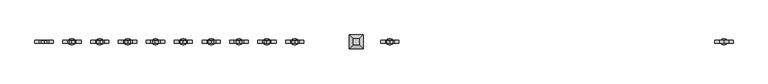
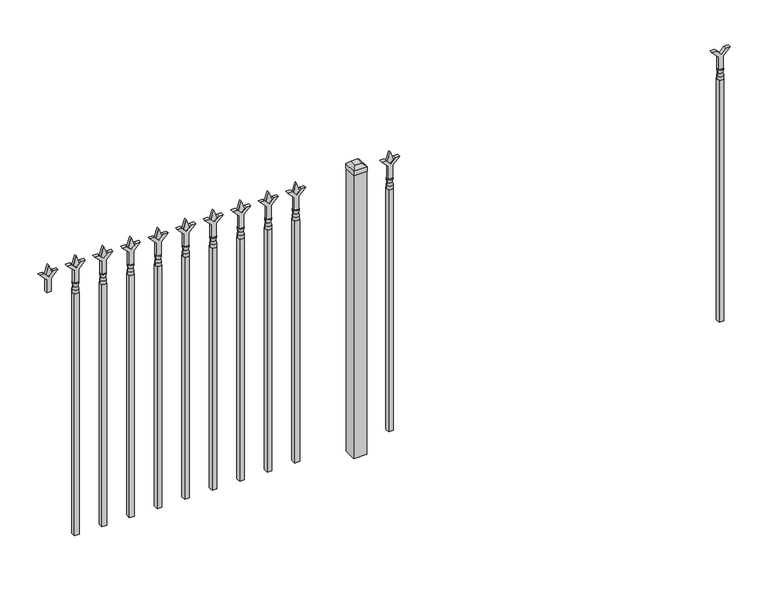
"""IFC4 building model written with IfcOpenShell, lengths in millimetres: railing geometry."""

from ifc_helpers import new_model, si_unit, frame, origin, origin_with_axes, place, context, project, spatial, polyline, circle_curve, outline, extrude, faceted_brep, source, transform, mapped, element, save
from ifc_brep_helpers import plane_surface, cylinder_surface, revolved_surface, advanced_brep


def railing_b73c5854(model_context):
    return source(origin(), model_context, "Body", "SolidModel", [
        extrude(outline(polyline([(1108.075, -76606.749337), (1162.3457378, -76606.749337), (1189.5355122, -76579.5595625), (1189.5355122, -76597.5200747), (1171.575, -76615.480587), (1189.5355122, -76633.4410992), (1189.5355122, -76651.4016114), (1162.3457378, -76624.211837), (1108.075, -76624.211837), (1108.075, -76606.749337)])), frame((0.0, -6737.6070174, 0.0), z_axis=(0.0, 1.0, 0.0), x_axis=(0.0, 0.0, 1.0)), (0.0, 0.0, 1.0), 12.7),
        advanced_brep(
        [(-76603.574337, -6731.2570174, 1079.5), (-76627.386837, -6731.2570174, 1079.5), (-76627.386837, -6731.2570174, 1066.8), (-76603.574337, -6731.2570174, 1066.8), (-76605.7796688, -6731.2570174, 1092.0070585), (-76625.1815051, -6731.2570174, 1092.0070585), (-76603.574337, -6731.2570174, 1108.075), (-76627.386837, -6731.2570174, 1108.075), (-76615.480587, -6731.2570174, 1108.075), (-76615.480587, -6731.2570174, 1066.8)],
        [
            (0, 1, circle_curve(frame((-76615.480587, -6731.2570174, 1079.5), z_axis=(0.0, 0.0, -1.0), x_axis=(-1.0, 0.0, 0.0)), 11.90625)),
            (1, 2),
            (2, 3, circle_curve(frame((-76615.480587, -6731.2570174, 1066.8), z_axis=(0.0, 0.0, 1.0), x_axis=(-1.0, 0.0, 0.0)), 11.90625)),
            (3, 0),
            (1, 0, circle_curve(frame((-76615.480587, -6731.2570174, 1079.5), z_axis=(0.0, 0.0, -1.0), x_axis=(-1.0, 0.0, 0.0)), 11.90625)),
            (3, 2, circle_curve(frame((-76615.480587, -6731.2570174, 1066.8), z_axis=(0.0, 0.0, 1.0), x_axis=(-1.0, 0.0, 0.0)), 11.90625)),
            (4, 5, circle_curve(frame((-76615.480587, -6731.2570174, 1092.0070585), z_axis=(0.0, 0.0, -1.0), x_axis=(-1.0, 0.0, 0.0)), 9.7009181)),
            (5, 1),
            (0, 4),
            (5, 4, circle_curve(frame((-76615.480587, -6731.2570174, 1092.0070585), z_axis=(0.0, 0.0, -1.0), x_axis=(-1.0, 0.0, 0.0)), 9.7009181)),
            (6, 7, circle_curve(frame((-76615.480587, -6731.2570174, 1108.075), z_axis=(0.0, 0.0, -1.0), x_axis=(-1.0, 0.0, 0.0)), 11.90625)),
            (7, 5),
            (4, 6),
            (7, 6, circle_curve(frame((-76615.480587, -6731.2570174, 1108.075), z_axis=(0.0, 0.0, -1.0), x_axis=(-1.0, 0.0, 0.0)), 11.90625)),
            (8, 7),
            (6, 8),
            (2, 9),
            (9, 3),
        ],
        [
            cylinder_surface(frame((-76615.480587, -6731.2570174, 1066.8), z_axis=(0.0, 0.0, 1.0), x_axis=(-1.0, 0.0, 0.0)), 11.90625),
            revolved_surface(polyline([(-76627.386837, -6731.2570174, 1079.5), (-76625.1815051, -6731.2570174, 1092.0070585)]), (-76615.480587, -6731.2570174, 1066.8), (0.0, 0.0, 1.0)),
            revolved_surface(polyline([(-76625.1815051, -6731.2570174, 1092.0070585), (-76627.386837, -6731.2570174, 1108.075)]), (-76615.480587, -6731.2570174, 1066.8), (0.0, 0.0, 1.0)),
            plane_surface(frame((-76615.480587, -6731.2570174, 1108.075), z_axis=(0.0, 0.0, 1.0), x_axis=(-1.0, 0.0, 0.0))),
            plane_surface(frame((-76615.480587, -6731.2570174, 1066.8), z_axis=(0.0, 0.0, -1.0), x_axis=(-1.0, 0.0, 0.0))),
        ],
        [
            (0, [[1, 2, 3, 4]]),
            (0, [[5, -4, 6, -2]]),
            (1, [[7, 8, -1, 9]]),
            (1, [[10, -9, -5, -8]]),
            (2, [[11, 12, -7, 13]]),
            (2, [[14, -13, -10, -12]]),
            (3, [[15, -11, 16]]),
            (3, [[-16, -14, -15]]),
            (4, [[-3, 17, 18]]),
            (4, [[-6, -18, -17]]),
        ],
    ),
        extrude(outline(polyline([(-76625.005587, -6721.7320174), (-76605.955587, -6721.7320174), (-76605.955587, -6740.7820174), (-76625.005587, -6740.7820174), (-76625.005587, -6721.7320174)])), frame((0.0, 0.0, 50.8), z_axis=(0.0, 0.0, 1.0), x_axis=(1.0, 0.0, 0.0)), (0.0, 0.0, 1.0), 1016.0),
        extrude(outline(polyline([(1183.48125, -77914.849337), (1219.2, -77926.755587), (1183.48125, -77938.661837), (1171.575, -77926.755587), (1183.48125, -77914.849337)])), frame((0.0, -6736.0195174, 0.0), z_axis=(0.0, 1.0, 0.0), x_axis=(0.0, 0.0, 1.0)), (0.0, 0.0, 1.0), 9.525),
        extrude(outline(polyline([(1108.075, -77918.024337), (1162.3457378, -77918.024337), (1189.5355122, -77890.8345625), (1189.5355122, -77908.7950747), (1171.575, -77926.755587), (1189.5355122, -77944.7160992), (1189.5355122, -77962.6766114), (1162.3457378, -77935.486837), (1108.075, -77935.486837), (1108.075, -77918.024337)])), frame((0.0, -6737.6070174, 0.0), z_axis=(0.0, 1.0, 0.0), x_axis=(0.0, 0.0, 1.0)), (0.0, 0.0, 1.0), 12.7),
        advanced_brep(
        [(-77914.849337, -6731.2570174, 1079.5), (-77938.661837, -6731.2570174, 1079.5), (-77938.661837, -6731.2570174, 1066.8), (-77914.849337, -6731.2570174, 1066.8), (-77917.0546688, -6731.2570174, 1092.0070585), (-77936.4565051, -6731.2570174, 1092.0070585), (-77914.849337, -6731.2570174, 1108.075), (-77938.661837, -6731.2570174, 1108.075), (-77926.755587, -6731.2570174, 1108.075), (-77926.755587, -6731.2570174, 1066.8)],
        [
            (0, 1, circle_curve(frame((-77926.755587, -6731.2570174, 1079.5), z_axis=(0.0, 0.0, -1.0), x_axis=(-1.0, 0.0, 0.0)), 11.90625)),
            (1, 2),
            (2, 3, circle_curve(frame((-77926.755587, -6731.2570174, 1066.8), z_axis=(0.0, 0.0, 1.0), x_axis=(-1.0, 0.0, 0.0)), 11.90625)),
            (3, 0),
            (1, 0, circle_curve(frame((-77926.755587, -6731.2570174, 1079.5), z_axis=(0.0, 0.0, -1.0), x_axis=(-1.0, 0.0, 0.0)), 11.90625)),
            (3, 2, circle_curve(frame((-77926.755587, -6731.2570174, 1066.8), z_axis=(0.0, 0.0, 1.0), x_axis=(-1.0, 0.0, 0.0)), 11.90625)),
            (4, 5, circle_curve(frame((-77926.755587, -6731.2570174, 1092.0070585), z_axis=(0.0, 0.0, -1.0), x_axis=(-1.0, 0.0, 0.0)), 9.7009181)),
            (5, 1),
            (0, 4),
            (5, 4, circle_curve(frame((-77926.755587, -6731.2570174, 1092.0070585), z_axis=(0.0, 0.0, -1.0), x_axis=(-1.0, 0.0, 0.0)), 9.7009181)),
            (6, 7, circle_curve(frame((-77926.755587, -6731.2570174, 1108.075), z_axis=(0.0, 0.0, -1.0), x_axis=(-1.0, 0.0, 0.0)), 11.90625)),
            (7, 5),
            (4, 6),
            (7, 6, circle_curve(frame((-77926.755587, -6731.2570174, 1108.075), z_axis=(0.0, 0.0, -1.0), x_axis=(-1.0, 0.0, 0.0)), 11.90625)),
            (8, 7),
            (6, 8),
            (2, 9),
            (9, 3),
        ],
        [
            cylinder_surface(frame((-77926.755587, -6731.2570174, 1066.8), z_axis=(0.0, 0.0, 1.0), x_axis=(-1.0, 0.0, 0.0)), 11.90625),
            revolved_surface(polyline([(-77938.661837, -6731.2570174, 1079.5), (-77936.4565051, -6731.2570174, 1092.0070585)]), (-77926.755587, -6731.2570174, 1066.8), (0.0, 0.0, 1.0)),
            revolved_surface(polyline([(-77936.4565051, -6731.2570174, 1092.0070585), (-77938.661837, -6731.2570174, 1108.075)]), (-77926.755587, -6731.2570174, 1066.8), (0.0, 0.0, 1.0)),
            plane_surface(frame((-77926.755587, -6731.2570174, 1108.075), z_axis=(0.0, 0.0, 1.0), x_axis=(-1.0, 0.0, 0.0))),
            plane_surface(frame((-77926.755587, -6731.2570174, 1066.8), z_axis=(0.0, 0.0, -1.0), x_axis=(-1.0, 0.0, 0.0))),
        ],
        [
            (0, [[1, 2, 3, 4]]),
            (0, [[5, -4, 6, -2]]),
            (1, [[7, 8, -1, 9]]),
            (1, [[10, -9, -5, -8]]),
            (2, [[11, 12, -7, 13]]),
            (2, [[14, -13, -10, -12]]),
            (3, [[15, -11, 16]]),
            (3, [[-16, -14, -15]]),
            (4, [[-3, 17, 18]]),
            (4, [[-6, -18, -17]]),
        ],
    ),
        extrude(outline(polyline([(-77936.280587, -6721.7320174), (-77917.230587, -6721.7320174), (-77917.230587, -6740.7820174), (-77936.280587, -6740.7820174), (-77936.280587, -6721.7320174)])), frame((0.0, 0.0, 50.8), z_axis=(0.0, 0.0, 1.0), x_axis=(1.0, 0.0, 0.0)), (0.0, 0.0, 1.0), 1016.0),
        extrude(outline(polyline([(-78033.118087, -6705.8570174), (-78033.118087, -6756.6570174), (-78083.918087, -6756.6570174), (-78083.918087, -6705.8570174), (-78033.118087, -6705.8570174)])), origin_with_axes(), (0.0, 0.0, 1.0), 1187.45),
        faceted_brep([(-78085.505587, -6704.2695174, 1206.5), (-78085.505587, -6704.2695174, 1187.45), (-78085.505587, -6758.2445174, 1187.45), (-78085.505587, -6758.2445174, 1206.5), (-78072.805587, -6716.9695174, 1219.2), (-78072.805587, -6745.5445174, 1219.2), (-78031.530587, -6758.2445174, 1187.45), (-78031.530587, -6758.2445174, 1206.5), (-78044.230587, -6745.5445174, 1219.2), (-78031.530587, -6704.2695174, 1187.45), (-78031.530587, -6704.2695174, 1206.5), (-78044.230587, -6716.9695174, 1219.2)], [[[0, 1, 2, 3]], [[4, 0, 3, 5]], [[3, 2, 6, 7]], [[5, 3, 7, 8]], [[7, 6, 9, 10]], [[8, 7, 10, 11]], [[10, 9, 1, 0]], [[11, 10, 0, 4]], [[5, 8, 11, 4]], [[1, 9, 6, 2]]]),
        extrude(outline(polyline([(1183.48125, -78287.6472536), (1219.2, -78299.5535036), (1183.48125, -78311.4597536), (1171.575, -78299.5535036), (1183.48125, -78287.6472536)])), frame((0.0, -6736.0195174, 0.0), z_axis=(0.0, 1.0, 0.0), x_axis=(0.0, 0.0, 1.0)), (0.0, 0.0, 1.0), 9.525),
        extrude(outline(polyline([(1108.075, -78290.8222536), (1162.3457378, -78290.8222536), (1189.5355122, -78263.6324791), (1189.5355122, -78281.5929914), (1171.575, -78299.5535036), (1189.5355122, -78317.5140159), (1189.5355122, -78335.4745281), (1162.3457378, -78308.2847536), (1108.075, -78308.2847536), (1108.075, -78290.8222536)])), frame((0.0, -6737.6070174, 0.0), z_axis=(0.0, 1.0, 0.0), x_axis=(0.0, 0.0, 1.0)), (0.0, 0.0, 1.0), 12.7),
        advanced_brep(
        [(-78287.6472536, -6731.2570174, 1079.5), (-78311.4597536, -6731.2570174, 1079.5), (-78311.4597536, -6731.2570174, 1066.8), (-78287.6472536, -6731.2570174, 1066.8), (-78289.8525855, -6731.2570174, 1092.0070585), (-78309.2544218, -6731.2570174, 1092.0070585), (-78287.6472536, -6731.2570174, 1108.075), (-78311.4597536, -6731.2570174, 1108.075), (-78299.5535036, -6731.2570174, 1108.075), (-78299.5535036, -6731.2570174, 1066.8)],
        [
            (0, 1, circle_curve(frame((-78299.5535036, -6731.2570174, 1079.5), z_axis=(0.0, 0.0, -1.0), x_axis=(-1.0, 0.0, 0.0)), 11.90625)),
            (1, 2),
            (2, 3, circle_curve(frame((-78299.5535036, -6731.2570174, 1066.8), z_axis=(0.0, 0.0, 1.0), x_axis=(-1.0, 0.0, 0.0)), 11.90625)),
            (3, 0),
            (1, 0, circle_curve(frame((-78299.5535036, -6731.2570174, 1079.5), z_axis=(0.0, 0.0, -1.0), x_axis=(-1.0, 0.0, 0.0)), 11.90625)),
            (3, 2, circle_curve(frame((-78299.5535036, -6731.2570174, 1066.8), z_axis=(0.0, 0.0, 1.0), x_axis=(-1.0, 0.0, 0.0)), 11.90625)),
            (4, 5, circle_curve(frame((-78299.5535036, -6731.2570174, 1092.0070585), z_axis=(0.0, 0.0, -1.0), x_axis=(-1.0, 0.0, 0.0)), 9.7009181)),
            (5, 1),
            (0, 4),
            (5, 4, circle_curve(frame((-78299.5535036, -6731.2570174, 1092.0070585), z_axis=(0.0, 0.0, -1.0), x_axis=(-1.0, 0.0, 0.0)), 9.7009181)),
            (6, 7, circle_curve(frame((-78299.5535036, -6731.2570174, 1108.075), z_axis=(0.0, 0.0, -1.0), x_axis=(-1.0, 0.0, 0.0)), 11.90625)),
            (7, 5),
            (4, 6),
            (7, 6, circle_curve(frame((-78299.5535036, -6731.2570174, 1108.075), z_axis=(0.0, 0.0, -1.0), x_axis=(-1.0, 0.0, 0.0)), 11.90625)),
            (8, 7),
            (6, 8),
            (2, 9),
            (9, 3),
        ],
        [
            cylinder_surface(frame((-78299.5535036, -6731.2570174, 1066.8), z_axis=(0.0, 0.0, 1.0), x_axis=(-1.0, 0.0, 0.0)), 11.90625),
            revolved_surface(polyline([(-78311.4597536, -6731.2570174, 1079.5), (-78309.2544218, -6731.2570174, 1092.0070585)]), (-78299.5535036, -6731.2570174, 1066.8), (0.0, 0.0, 1.0)),
            revolved_surface(polyline([(-78309.2544218, -6731.2570174, 1092.0070585), (-78311.4597536, -6731.2570174, 1108.075)]), (-78299.5535036, -6731.2570174, 1066.8), (0.0, 0.0, 1.0)),
            plane_surface(frame((-78299.5535036, -6731.2570174, 1108.075), z_axis=(0.0, 0.0, 1.0), x_axis=(-1.0, 0.0, 0.0))),
            plane_surface(frame((-78299.5535036, -6731.2570174, 1066.8), z_axis=(0.0, 0.0, -1.0), x_axis=(-1.0, 0.0, 0.0))),
        ],
        [
            (0, [[1, 2, 3, 4]]),
            (0, [[5, -4, 6, -2]]),
            (1, [[7, 8, -1, 9]]),
            (1, [[10, -9, -5, -8]]),
            (2, [[11, 12, -7, 13]]),
            (2, [[14, -13, -10, -12]]),
            (3, [[15, -11, 16]]),
            (3, [[-16, -14, -15]]),
            (4, [[-3, 17, 18]]),
            (4, [[-6, -18, -17]]),
        ],
    ),
        extrude(outline(polyline([(-78309.0785036, -6721.7320174), (-78290.0285036, -6721.7320174), (-78290.0285036, -6740.7820174), (-78309.0785036, -6740.7820174), (-78309.0785036, -6721.7320174)])), frame((0.0, 0.0, 50.8), z_axis=(0.0, 0.0, 1.0), x_axis=(1.0, 0.0, 0.0)), (0.0, 0.0, 1.0), 1016.0),
        extrude(outline(polyline([(1183.48125, -78396.9201703), (1219.2, -78408.8264203), (1183.48125, -78420.7326703), (1171.575, -78408.8264203), (1183.48125, -78396.9201703)])), frame((0.0, -6736.0195174, 0.0), z_axis=(0.0, 1.0, 0.0), x_axis=(0.0, 0.0, 1.0)), (0.0, 0.0, 1.0), 9.525),
        extrude(outline(polyline([(1108.075, -78400.0951703), (1162.3457378, -78400.0951703), (1189.5355122, -78372.9053958), (1189.5355122, -78390.8659081), (1171.575, -78408.8264203), (1189.5355122, -78426.7869325), (1189.5355122, -78444.7474448), (1162.3457378, -78417.5576703), (1108.075, -78417.5576703), (1108.075, -78400.0951703)])), frame((0.0, -6737.6070174, 0.0), z_axis=(0.0, 1.0, 0.0), x_axis=(0.0, 0.0, 1.0)), (0.0, 0.0, 1.0), 12.7),
        advanced_brep(
        [(-78396.9201703, -6731.2570174, 1079.5), (-78420.7326703, -6731.2570174, 1079.5), (-78420.7326703, -6731.2570174, 1066.8), (-78396.9201703, -6731.2570174, 1066.8), (-78399.1255022, -6731.2570174, 1092.0070585), (-78418.5273384, -6731.2570174, 1092.0070585), (-78396.9201703, -6731.2570174, 1108.075), (-78420.7326703, -6731.2570174, 1108.075), (-78408.8264203, -6731.2570174, 1108.075), (-78408.8264203, -6731.2570174, 1066.8)],
        [
            (0, 1, circle_curve(frame((-78408.8264203, -6731.2570174, 1079.5), z_axis=(0.0, 0.0, -1.0), x_axis=(-1.0, 0.0, 0.0)), 11.90625)),
            (1, 2),
            (2, 3, circle_curve(frame((-78408.8264203, -6731.2570174, 1066.8), z_axis=(0.0, 0.0, 1.0), x_axis=(-1.0, 0.0, 0.0)), 11.90625)),
            (3, 0),
            (1, 0, circle_curve(frame((-78408.8264203, -6731.2570174, 1079.5), z_axis=(0.0, 0.0, -1.0), x_axis=(-1.0, 0.0, 0.0)), 11.90625)),
            (3, 2, circle_curve(frame((-78408.8264203, -6731.2570174, 1066.8), z_axis=(0.0, 0.0, 1.0), x_axis=(-1.0, 0.0, 0.0)), 11.90625)),
            (4, 5, circle_curve(frame((-78408.8264203, -6731.2570174, 1092.0070585), z_axis=(0.0, 0.0, -1.0), x_axis=(-1.0, 0.0, 0.0)), 9.7009181)),
            (5, 1),
            (0, 4),
            (5, 4, circle_curve(frame((-78408.8264203, -6731.2570174, 1092.0070585), z_axis=(0.0, 0.0, -1.0), x_axis=(-1.0, 0.0, 0.0)), 9.7009181)),
            (6, 7, circle_curve(frame((-78408.8264203, -6731.2570174, 1108.075), z_axis=(0.0, 0.0, -1.0), x_axis=(-1.0, 0.0, 0.0)), 11.90625)),
            (7, 5),
            (4, 6),
            (7, 6, circle_curve(frame((-78408.8264203, -6731.2570174, 1108.075), z_axis=(0.0, 0.0, -1.0), x_axis=(-1.0, 0.0, 0.0)), 11.90625)),
            (8, 7),
            (6, 8),
            (2, 9),
            (9, 3),
        ],
        [
            cylinder_surface(frame((-78408.8264203, -6731.2570174, 1066.8), z_axis=(0.0, 0.0, 1.0), x_axis=(-1.0, 0.0, 0.0)), 11.90625),
            revolved_surface(polyline([(-78420.7326703, -6731.2570174, 1079.5), (-78418.5273384, -6731.2570174, 1092.0070585)]), (-78408.8264203, -6731.2570174, 1066.8), (0.0, 0.0, 1.0)),
            revolved_surface(polyline([(-78418.5273384, -6731.2570174, 1092.0070585), (-78420.7326703, -6731.2570174, 1108.075)]), (-78408.8264203, -6731.2570174, 1066.8), (0.0, 0.0, 1.0)),
            plane_surface(frame((-78408.8264203, -6731.2570174, 1108.075), z_axis=(0.0, 0.0, 1.0), x_axis=(-1.0, 0.0, 0.0))),
            plane_surface(frame((-78408.8264203, -6731.2570174, 1066.8), z_axis=(0.0, 0.0, -1.0), x_axis=(-1.0, 0.0, 0.0))),
        ],
        [
            (0, [[1, 2, 3, 4]]),
            (0, [[5, -4, 6, -2]]),
            (1, [[7, 8, -1, 9]]),
            (1, [[10, -9, -5, -8]]),
            (2, [[11, 12, -7, 13]]),
            (2, [[14, -13, -10, -12]]),
            (3, [[15, -11, 16]]),
            (3, [[-16, -14, -15]]),
            (4, [[-3, 17, 18]]),
            (4, [[-6, -18, -17]]),
        ],
    ),
        extrude(outline(polyline([(-78418.3514203, -6721.7320174), (-78399.3014203, -6721.7320174), (-78399.3014203, -6740.7820174), (-78418.3514203, -6740.7820174), (-78418.3514203, -6721.7320174)])), frame((0.0, 0.0, 50.8), z_axis=(0.0, 0.0, 1.0), x_axis=(1.0, 0.0, 0.0)), (0.0, 0.0, 1.0), 1016.0),
        extrude(outline(polyline([(1183.48125, -78506.193087), (1219.2, -78518.099337), (1183.48125, -78530.005587), (1171.575, -78518.099337), (1183.48125, -78506.193087)])), frame((0.0, -6736.0195174, 0.0), z_axis=(0.0, 1.0, 0.0), x_axis=(0.0, 0.0, 1.0)), (0.0, 0.0, 1.0), 9.525),
        extrude(outline(polyline([(1108.075, -78509.368087), (1162.3457378, -78509.368087), (1189.5355122, -78482.1783125), (1189.5355122, -78500.1388247), (1171.575, -78518.099337), (1189.5355122, -78536.0598492), (1189.5355122, -78554.0203614), (1162.3457378, -78526.830587), (1108.075, -78526.830587), (1108.075, -78509.368087)])), frame((0.0, -6737.6070174, 0.0), z_axis=(0.0, 1.0, 0.0), x_axis=(0.0, 0.0, 1.0)), (0.0, 0.0, 1.0), 12.7),
        advanced_brep(
        [(-78506.193087, -6731.2570174, 1079.5), (-78530.005587, -6731.2570174, 1079.5), (-78530.005587, -6731.2570174, 1066.8), (-78506.193087, -6731.2570174, 1066.8), (-78508.3984188, -6731.2570174, 1092.0070585), (-78527.8002551, -6731.2570174, 1092.0070585), (-78506.193087, -6731.2570174, 1108.075), (-78530.005587, -6731.2570174, 1108.075), (-78518.099337, -6731.2570174, 1108.075), (-78518.099337, -6731.2570174, 1066.8)],
        [
            (0, 1, circle_curve(frame((-78518.099337, -6731.2570174, 1079.5), z_axis=(0.0, 0.0, -1.0), x_axis=(-1.0, 0.0, 0.0)), 11.90625)),
            (1, 2),
            (2, 3, circle_curve(frame((-78518.099337, -6731.2570174, 1066.8), z_axis=(0.0, 0.0, 1.0), x_axis=(-1.0, 0.0, 0.0)), 11.90625)),
            (3, 0),
            (1, 0, circle_curve(frame((-78518.099337, -6731.2570174, 1079.5), z_axis=(0.0, 0.0, -1.0), x_axis=(-1.0, 0.0, 0.0)), 11.90625)),
            (3, 2, circle_curve(frame((-78518.099337, -6731.2570174, 1066.8), z_axis=(0.0, 0.0, 1.0), x_axis=(-1.0, 0.0, 0.0)), 11.90625)),
            (4, 5, circle_curve(frame((-78518.099337, -6731.2570174, 1092.0070585), z_axis=(0.0, 0.0, -1.0), x_axis=(-1.0, 0.0, 0.0)), 9.7009181)),
            (5, 1),
            (0, 4),
            (5, 4, circle_curve(frame((-78518.099337, -6731.2570174, 1092.0070585), z_axis=(0.0, 0.0, -1.0), x_axis=(-1.0, 0.0, 0.0)), 9.7009181)),
            (6, 7, circle_curve(frame((-78518.099337, -6731.2570174, 1108.075), z_axis=(0.0, 0.0, -1.0), x_axis=(-1.0, 0.0, 0.0)), 11.90625)),
            (7, 5),
            (4, 6),
            (7, 6, circle_curve(frame((-78518.099337, -6731.2570174, 1108.075), z_axis=(0.0, 0.0, -1.0), x_axis=(-1.0, 0.0, 0.0)), 11.90625)),
            (8, 7),
            (6, 8),
            (2, 9),
            (9, 3),
        ],
        [
            cylinder_surface(frame((-78518.099337, -6731.2570174, 1066.8), z_axis=(0.0, 0.0, 1.0), x_axis=(-1.0, 0.0, 0.0)), 11.90625),
            revolved_surface(polyline([(-78530.005587, -6731.2570174, 1079.5), (-78527.8002551, -6731.2570174, 1092.0070585)]), (-78518.099337, -6731.2570174, 1066.8), (0.0, 0.0, 1.0)),
            revolved_surface(polyline([(-78527.8002551, -6731.2570174, 1092.0070585), (-78530.005587, -6731.2570174, 1108.075)]), (-78518.099337, -6731.2570174, 1066.8), (0.0, 0.0, 1.0)),
            plane_surface(frame((-78518.099337, -6731.2570174, 1108.075), z_axis=(0.0, 0.0, 1.0), x_axis=(-1.0, 0.0, 0.0))),
            plane_surface(frame((-78518.099337, -6731.2570174, 1066.8), z_axis=(0.0, 0.0, -1.0), x_axis=(-1.0, 0.0, 0.0))),
        ],
        [
            (0, [[1, 2, 3, 4]]),
            (0, [[5, -4, 6, -2]]),
            (1, [[7, 8, -1, 9]]),
            (1, [[10, -9, -5, -8]]),
            (2, [[11, 12, -7, 13]]),
            (2, [[14, -13, -10, -12]]),
            (3, [[15, -11, 16]]),
            (3, [[-16, -14, -15]]),
            (4, [[-3, 17, 18]]),
            (4, [[-6, -18, -17]]),
        ],
    ),
        extrude(outline(polyline([(-78527.624337, -6721.7320174), (-78508.574337, -6721.7320174), (-78508.574337, -6740.7820174), (-78527.624337, -6740.7820174), (-78527.624337, -6721.7320174)])), frame((0.0, 0.0, 50.8), z_axis=(0.0, 0.0, 1.0), x_axis=(1.0, 0.0, 0.0)), (0.0, 0.0, 1.0), 1016.0),
        extrude(outline(polyline([(1183.48125, -78615.4660036), (1219.2, -78627.3722536), (1183.48125, -78639.2785036), (1171.575, -78627.3722536), (1183.48125, -78615.4660036)])), frame((0.0, -6736.0195174, 0.0), z_axis=(0.0, 1.0, 0.0), x_axis=(0.0, 0.0, 1.0)), (0.0, 0.0, 1.0), 9.525),
        extrude(outline(polyline([(1108.075, -78618.6410036), (1162.3457378, -78618.6410036), (1189.5355122, -78591.4512291), (1189.5355122, -78609.4117414), (1171.575, -78627.3722536), (1189.5355122, -78645.3327659), (1189.5355122, -78663.2932781), (1162.3457378, -78636.1035036), (1108.075, -78636.1035036), (1108.075, -78618.6410036)])), frame((0.0, -6737.6070174, 0.0), z_axis=(0.0, 1.0, 0.0), x_axis=(0.0, 0.0, 1.0)), (0.0, 0.0, 1.0), 12.7),
        advanced_brep(
        [(-78615.4660036, -6731.2570174, 1079.5), (-78639.2785036, -6731.2570174, 1079.5), (-78639.2785036, -6731.2570174, 1066.8), (-78615.4660036, -6731.2570174, 1066.8), (-78617.6713355, -6731.2570174, 1092.0070585), (-78637.0731718, -6731.2570174, 1092.0070585), (-78615.4660036, -6731.2570174, 1108.075), (-78639.2785036, -6731.2570174, 1108.075), (-78627.3722536, -6731.2570174, 1108.075), (-78627.3722536, -6731.2570174, 1066.8)],
        [
            (0, 1, circle_curve(frame((-78627.3722536, -6731.2570174, 1079.5), z_axis=(0.0, 0.0, -1.0), x_axis=(-1.0, 0.0, 0.0)), 11.90625)),
            (1, 2),
            (2, 3, circle_curve(frame((-78627.3722536, -6731.2570174, 1066.8), z_axis=(0.0, 0.0, 1.0), x_axis=(-1.0, 0.0, 0.0)), 11.90625)),
            (3, 0),
            (1, 0, circle_curve(frame((-78627.3722536, -6731.2570174, 1079.5), z_axis=(0.0, 0.0, -1.0), x_axis=(-1.0, 0.0, 0.0)), 11.90625)),
            (3, 2, circle_curve(frame((-78627.3722536, -6731.2570174, 1066.8), z_axis=(0.0, 0.0, 1.0), x_axis=(-1.0, 0.0, 0.0)), 11.90625)),
            (4, 5, circle_curve(frame((-78627.3722536, -6731.2570174, 1092.0070585), z_axis=(0.0, 0.0, -1.0), x_axis=(-1.0, 0.0, 0.0)), 9.7009181)),
            (5, 1),
            (0, 4),
            (5, 4, circle_curve(frame((-78627.3722536, -6731.2570174, 1092.0070585), z_axis=(0.0, 0.0, -1.0), x_axis=(-1.0, 0.0, 0.0)), 9.7009181)),
            (6, 7, circle_curve(frame((-78627.3722536, -6731.2570174, 1108.075), z_axis=(0.0, 0.0, -1.0), x_axis=(-1.0, 0.0, 0.0)), 11.90625)),
            (7, 5),
            (4, 6),
            (7, 6, circle_curve(frame((-78627.3722536, -6731.2570174, 1108.075), z_axis=(0.0, 0.0, -1.0), x_axis=(-1.0, 0.0, 0.0)), 11.90625)),
            (8, 7),
            (6, 8),
            (2, 9),
            (9, 3),
        ],
        [
            cylinder_surface(frame((-78627.3722536, -6731.2570174, 1066.8), z_axis=(0.0, 0.0, 1.0), x_axis=(-1.0, 0.0, 0.0)), 11.90625),
            revolved_surface(polyline([(-78639.2785036, -6731.2570174, 1079.5), (-78637.0731718, -6731.2570174, 1092.0070585)]), (-78627.3722536, -6731.2570174, 1066.8), (0.0, 0.0, 1.0)),
            revolved_surface(polyline([(-78637.0731718, -6731.2570174, 1092.0070585), (-78639.2785036, -6731.2570174, 1108.075)]), (-78627.3722536, -6731.2570174, 1066.8), (0.0, 0.0, 1.0)),
            plane_surface(frame((-78627.3722536, -6731.2570174, 1108.075), z_axis=(0.0, 0.0, 1.0), x_axis=(-1.0, 0.0, 0.0))),
            plane_surface(frame((-78627.3722536, -6731.2570174, 1066.8), z_axis=(0.0, 0.0, -1.0), x_axis=(-1.0, 0.0, 0.0))),
        ],
        [
            (0, [[1, 2, 3, 4]]),
            (0, [[5, -4, 6, -2]]),
            (1, [[7, 8, -1, 9]]),
            (1, [[10, -9, -5, -8]]),
            (2, [[11, 12, -7, 13]]),
            (2, [[14, -13, -10, -12]]),
            (3, [[15, -11, 16]]),
            (3, [[-16, -14, -15]]),
            (4, [[-3, 17, 18]]),
            (4, [[-6, -18, -17]]),
        ],
    ),
        extrude(outline(polyline([(-78636.8972536, -6721.7320174), (-78617.8472536, -6721.7320174), (-78617.8472536, -6740.7820174), (-78636.8972536, -6740.7820174), (-78636.8972536, -6721.7320174)])), frame((0.0, 0.0, 50.8), z_axis=(0.0, 0.0, 1.0), x_axis=(1.0, 0.0, 0.0)), (0.0, 0.0, 1.0), 1016.0),
        extrude(outline(polyline([(1183.48125, -78724.7389203), (1219.2, -78736.6451703), (1183.48125, -78748.5514203), (1171.575, -78736.6451703), (1183.48125, -78724.7389203)])), frame((0.0, -6736.0195174, 0.0), z_axis=(0.0, 1.0, 0.0), x_axis=(0.0, 0.0, 1.0)), (0.0, 0.0, 1.0), 9.525),
        extrude(outline(polyline([(1108.075, -78727.9139203), (1162.3457378, -78727.9139203), (1189.5355122, -78700.7241458), (1189.5355122, -78718.6846581), (1171.575, -78736.6451703), (1189.5355122, -78754.6056825), (1189.5355122, -78772.5661948), (1162.3457378, -78745.3764203), (1108.075, -78745.3764203), (1108.075, -78727.9139203)])), frame((0.0, -6737.6070174, 0.0), z_axis=(0.0, 1.0, 0.0), x_axis=(0.0, 0.0, 1.0)), (0.0, 0.0, 1.0), 12.7),
        advanced_brep(
        [(-78724.7389203, -6731.2570174, 1079.5), (-78748.5514203, -6731.2570174, 1079.5), (-78748.5514203, -6731.2570174, 1066.8), (-78724.7389203, -6731.2570174, 1066.8), (-78726.9442522, -6731.2570174, 1092.0070585), (-78746.3460884, -6731.2570174, 1092.0070585), (-78724.7389203, -6731.2570174, 1108.075), (-78748.5514203, -6731.2570174, 1108.075), (-78736.6451703, -6731.2570174, 1108.075), (-78736.6451703, -6731.2570174, 1066.8)],
        [
            (0, 1, circle_curve(frame((-78736.6451703, -6731.2570174, 1079.5), z_axis=(0.0, 0.0, -1.0), x_axis=(-1.0, 0.0, 0.0)), 11.90625)),
            (1, 2),
            (2, 3, circle_curve(frame((-78736.6451703, -6731.2570174, 1066.8), z_axis=(0.0, 0.0, 1.0), x_axis=(-1.0, 0.0, 0.0)), 11.90625)),
            (3, 0),
            (1, 0, circle_curve(frame((-78736.6451703, -6731.2570174, 1079.5), z_axis=(0.0, 0.0, -1.0), x_axis=(-1.0, 0.0, 0.0)), 11.90625)),
            (3, 2, circle_curve(frame((-78736.6451703, -6731.2570174, 1066.8), z_axis=(0.0, 0.0, 1.0), x_axis=(-1.0, 0.0, 0.0)), 11.90625)),
            (4, 5, circle_curve(frame((-78736.6451703, -6731.2570174, 1092.0070585), z_axis=(0.0, 0.0, -1.0), x_axis=(-1.0, 0.0, 0.0)), 9.7009181)),
            (5, 1),
            (0, 4),
            (5, 4, circle_curve(frame((-78736.6451703, -6731.2570174, 1092.0070585), z_axis=(0.0, 0.0, -1.0), x_axis=(-1.0, 0.0, 0.0)), 9.7009181)),
            (6, 7, circle_curve(frame((-78736.6451703, -6731.2570174, 1108.075), z_axis=(0.0, 0.0, -1.0), x_axis=(-1.0, 0.0, 0.0)), 11.90625)),
            (7, 5),
            (4, 6),
            (7, 6, circle_curve(frame((-78736.6451703, -6731.2570174, 1108.075), z_axis=(0.0, 0.0, -1.0), x_axis=(-1.0, 0.0, 0.0)), 11.90625)),
            (8, 7),
            (6, 8),
            (2, 9),
            (9, 3),
        ],
        [
            cylinder_surface(frame((-78736.6451703, -6731.2570174, 1066.8), z_axis=(0.0, 0.0, 1.0), x_axis=(-1.0, 0.0, 0.0)), 11.90625),
            revolved_surface(polyline([(-78748.5514203, -6731.2570174, 1079.5), (-78746.3460884, -6731.2570174, 1092.0070585)]), (-78736.6451703, -6731.2570174, 1066.8), (0.0, 0.0, 1.0)),
            revolved_surface(polyline([(-78746.3460884, -6731.2570174, 1092.0070585), (-78748.5514203, -6731.2570174, 1108.075)]), (-78736.6451703, -6731.2570174, 1066.8), (0.0, 0.0, 1.0)),
            plane_surface(frame((-78736.6451703, -6731.2570174, 1108.075), z_axis=(0.0, 0.0, 1.0), x_axis=(-1.0, 0.0, 0.0))),
            plane_surface(frame((-78736.6451703, -6731.2570174, 1066.8), z_axis=(0.0, 0.0, -1.0), x_axis=(-1.0, 0.0, 0.0))),
        ],
        [
            (0, [[1, 2, 3, 4]]),
            (0, [[5, -4, 6, -2]]),
            (1, [[7, 8, -1, 9]]),
            (1, [[10, -9, -5, -8]]),
            (2, [[11, 12, -7, 13]]),
            (2, [[14, -13, -10, -12]]),
            (3, [[15, -11, 16]]),
            (3, [[-16, -14, -15]]),
            (4, [[-3, 17, 18]]),
            (4, [[-6, -18, -17]]),
        ],
    ),
        extrude(outline(polyline([(-78746.1701703, -6721.7320174), (-78727.1201703, -6721.7320174), (-78727.1201703, -6740.7820174), (-78746.1701703, -6740.7820174), (-78746.1701703, -6721.7320174)])), frame((0.0, 0.0, 50.8), z_axis=(0.0, 0.0, 1.0), x_axis=(1.0, 0.0, 0.0)), (0.0, 0.0, 1.0), 1016.0),
        extrude(outline(polyline([(1183.48125, -78834.011837), (1219.2, -78845.918087), (1183.48125, -78857.824337), (1171.575, -78845.918087), (1183.48125, -78834.011837)])), frame((0.0, -6736.0195174, 0.0), z_axis=(0.0, 1.0, 0.0), x_axis=(0.0, 0.0, 1.0)), (0.0, 0.0, 1.0), 9.525),
        extrude(outline(polyline([(1108.075, -78837.186837), (1162.3457378, -78837.186837), (1189.5355122, -78809.9970625), (1189.5355122, -78827.9575747), (1171.575, -78845.918087), (1189.5355122, -78863.8785992), (1189.5355122, -78881.8391114), (1162.3457378, -78854.649337), (1108.075, -78854.649337), (1108.075, -78837.186837)])), frame((0.0, -6737.6070174, 0.0), z_axis=(0.0, 1.0, 0.0), x_axis=(0.0, 0.0, 1.0)), (0.0, 0.0, 1.0), 12.7),
        advanced_brep(
        [(-78834.011837, -6731.2570174, 1079.5), (-78857.824337, -6731.2570174, 1079.5), (-78857.824337, -6731.2570174, 1066.8), (-78834.011837, -6731.2570174, 1066.8), (-78836.2171688, -6731.2570174, 1092.0070585), (-78855.6190051, -6731.2570174, 1092.0070585), (-78834.011837, -6731.2570174, 1108.075), (-78857.824337, -6731.2570174, 1108.075), (-78845.918087, -6731.2570174, 1108.075), (-78845.918087, -6731.2570174, 1066.8)],
        [
            (0, 1, circle_curve(frame((-78845.918087, -6731.2570174, 1079.5), z_axis=(0.0, 0.0, -1.0), x_axis=(-1.0, 0.0, 0.0)), 11.90625)),
            (1, 2),
            (2, 3, circle_curve(frame((-78845.918087, -6731.2570174, 1066.8), z_axis=(0.0, 0.0, 1.0), x_axis=(-1.0, 0.0, 0.0)), 11.90625)),
            (3, 0),
            (1, 0, circle_curve(frame((-78845.918087, -6731.2570174, 1079.5), z_axis=(0.0, 0.0, -1.0), x_axis=(-1.0, 0.0, 0.0)), 11.90625)),
            (3, 2, circle_curve(frame((-78845.918087, -6731.2570174, 1066.8), z_axis=(0.0, 0.0, 1.0), x_axis=(-1.0, 0.0, 0.0)), 11.90625)),
            (4, 5, circle_curve(frame((-78845.918087, -6731.2570174, 1092.0070585), z_axis=(0.0, 0.0, -1.0), x_axis=(-1.0, 0.0, 0.0)), 9.7009181)),
            (5, 1),
            (0, 4),
            (5, 4, circle_curve(frame((-78845.918087, -6731.2570174, 1092.0070585), z_axis=(0.0, 0.0, -1.0), x_axis=(-1.0, 0.0, 0.0)), 9.7009181)),
            (6, 7, circle_curve(frame((-78845.918087, -6731.2570174, 1108.075), z_axis=(0.0, 0.0, -1.0), x_axis=(-1.0, 0.0, 0.0)), 11.90625)),
            (7, 5),
            (4, 6),
            (7, 6, circle_curve(frame((-78845.918087, -6731.2570174, 1108.075), z_axis=(0.0, 0.0, -1.0), x_axis=(-1.0, 0.0, 0.0)), 11.90625)),
            (8, 7),
            (6, 8),
            (2, 9),
            (9, 3),
        ],
        [
            cylinder_surface(frame((-78845.918087, -6731.2570174, 1066.8), z_axis=(0.0, 0.0, 1.0), x_axis=(-1.0, 0.0, 0.0)), 11.90625),
            revolved_surface(polyline([(-78857.824337, -6731.2570174, 1079.5), (-78855.6190051, -6731.2570174, 1092.0070585)]), (-78845.918087, -6731.2570174, 1066.8), (0.0, 0.0, 1.0)),
            revolved_surface(polyline([(-78855.6190051, -6731.2570174, 1092.0070585), (-78857.824337, -6731.2570174, 1108.075)]), (-78845.918087, -6731.2570174, 1066.8), (0.0, 0.0, 1.0)),
            plane_surface(frame((-78845.918087, -6731.2570174, 1108.075), z_axis=(0.0, 0.0, 1.0), x_axis=(-1.0, 0.0, 0.0))),
            plane_surface(frame((-78845.918087, -6731.2570174, 1066.8), z_axis=(0.0, 0.0, -1.0), x_axis=(-1.0, 0.0, 0.0))),
        ],
        [
            (0, [[1, 2, 3, 4]]),
            (0, [[5, -4, 6, -2]]),
            (1, [[7, 8, -1, 9]]),
            (1, [[10, -9, -5, -8]]),
            (2, [[11, 12, -7, 13]]),
            (2, [[14, -13, -10, -12]]),
            (3, [[15, -11, 16]]),
            (3, [[-16, -14, -15]]),
            (4, [[-3, 17, 18]]),
            (4, [[-6, -18, -17]]),
        ],
    ),
        extrude(outline(polyline([(-78855.443087, -6721.7320174), (-78836.393087, -6721.7320174), (-78836.393087, -6740.7820174), (-78855.443087, -6740.7820174), (-78855.443087, -6721.7320174)])), frame((0.0, 0.0, 50.8), z_axis=(0.0, 0.0, 1.0), x_axis=(1.0, 0.0, 0.0)), (0.0, 0.0, 1.0), 1016.0),
        extrude(outline(polyline([(1183.48125, -78943.2847536), (1219.2, -78955.1910036), (1183.48125, -78967.0972536), (1171.575, -78955.1910036), (1183.48125, -78943.2847536)])), frame((0.0, -6736.0195174, 0.0), z_axis=(0.0, 1.0, 0.0), x_axis=(0.0, 0.0, 1.0)), (0.0, 0.0, 1.0), 9.525),
        extrude(outline(polyline([(1108.075, -78946.4597536), (1162.3457378, -78946.4597536), (1189.5355122, -78919.2699791), (1189.5355122, -78937.2304914), (1171.575, -78955.1910036), (1189.5355122, -78973.1515159), (1189.5355122, -78991.1120281), (1162.3457378, -78963.9222536), (1108.075, -78963.9222536), (1108.075, -78946.4597536)])), frame((0.0, -6737.6070174, 0.0), z_axis=(0.0, 1.0, 0.0), x_axis=(0.0, 0.0, 1.0)), (0.0, 0.0, 1.0), 12.7),
        advanced_brep(
        [(-78943.2847536, -6731.2570174, 1079.5), (-78967.0972536, -6731.2570174, 1079.5), (-78967.0972536, -6731.2570174, 1066.8), (-78943.2847536, -6731.2570174, 1066.8), (-78945.4900855, -6731.2570174, 1092.0070585), (-78964.8919218, -6731.2570174, 1092.0070585), (-78943.2847536, -6731.2570174, 1108.075), (-78967.0972536, -6731.2570174, 1108.075), (-78955.1910036, -6731.2570174, 1108.075), (-78955.1910036, -6731.2570174, 1066.8)],
        [
            (0, 1, circle_curve(frame((-78955.1910036, -6731.2570174, 1079.5), z_axis=(0.0, 0.0, -1.0), x_axis=(-1.0, 0.0, 0.0)), 11.90625)),
            (1, 2),
            (2, 3, circle_curve(frame((-78955.1910036, -6731.2570174, 1066.8), z_axis=(0.0, 0.0, 1.0), x_axis=(-1.0, 0.0, 0.0)), 11.90625)),
            (3, 0),
            (1, 0, circle_curve(frame((-78955.1910036, -6731.2570174, 1079.5), z_axis=(0.0, 0.0, -1.0), x_axis=(-1.0, 0.0, 0.0)), 11.90625)),
            (3, 2, circle_curve(frame((-78955.1910036, -6731.2570174, 1066.8), z_axis=(0.0, 0.0, 1.0), x_axis=(-1.0, 0.0, 0.0)), 11.90625)),
            (4, 5, circle_curve(frame((-78955.1910036, -6731.2570174, 1092.0070585), z_axis=(0.0, 0.0, -1.0), x_axis=(-1.0, 0.0, 0.0)), 9.7009181)),
            (5, 1),
            (0, 4),
            (5, 4, circle_curve(frame((-78955.1910036, -6731.2570174, 1092.0070585), z_axis=(0.0, 0.0, -1.0), x_axis=(-1.0, 0.0, 0.0)), 9.7009181)),
            (6, 7, circle_curve(frame((-78955.1910036, -6731.2570174, 1108.075), z_axis=(0.0, 0.0, -1.0), x_axis=(-1.0, 0.0, 0.0)), 11.90625)),
            (7, 5),
            (4, 6),
            (7, 6, circle_curve(frame((-78955.1910036, -6731.2570174, 1108.075), z_axis=(0.0, 0.0, -1.0), x_axis=(-1.0, 0.0, 0.0)), 11.90625)),
            (8, 7),
            (6, 8),
            (2, 9),
            (9, 3),
        ],
        [
            cylinder_surface(frame((-78955.1910036, -6731.2570174, 1066.8), z_axis=(0.0, 0.0, 1.0), x_axis=(-1.0, 0.0, 0.0)), 11.90625),
            revolved_surface(polyline([(-78967.0972536, -6731.2570174, 1079.5), (-78964.8919218, -6731.2570174, 1092.0070585)]), (-78955.1910036, -6731.2570174, 1066.8), (0.0, 0.0, 1.0)),
            revolved_surface(polyline([(-78964.8919218, -6731.2570174, 1092.0070585), (-78967.0972536, -6731.2570174, 1108.075)]), (-78955.1910036, -6731.2570174, 1066.8), (0.0, 0.0, 1.0)),
            plane_surface(frame((-78955.1910036, -6731.2570174, 1108.075), z_axis=(0.0, 0.0, 1.0), x_axis=(-1.0, 0.0, 0.0))),
            plane_surface(frame((-78955.1910036, -6731.2570174, 1066.8), z_axis=(0.0, 0.0, -1.0), x_axis=(-1.0, 0.0, 0.0))),
        ],
        [
            (0, [[1, 2, 3, 4]]),
            (0, [[5, -4, 6, -2]]),
            (1, [[7, 8, -1, 9]]),
            (1, [[10, -9, -5, -8]]),
            (2, [[11, 12, -7, 13]]),
            (2, [[14, -13, -10, -12]]),
            (3, [[15, -11, 16]]),
            (3, [[-16, -14, -15]]),
            (4, [[-3, 17, 18]]),
            (4, [[-6, -18, -17]]),
        ],
    ),
        extrude(outline(polyline([(-78964.7160036, -6721.7320174), (-78945.6660036, -6721.7320174), (-78945.6660036, -6740.7820174), (-78964.7160036, -6740.7820174), (-78964.7160036, -6721.7320174)])), frame((0.0, 0.0, 50.8), z_axis=(0.0, 0.0, 1.0), x_axis=(1.0, 0.0, 0.0)), (0.0, 0.0, 1.0), 1016.0),
        extrude(outline(polyline([(1183.48125, -79052.5576703), (1219.2, -79064.4639203), (1183.48125, -79076.3701703), (1171.575, -79064.4639203), (1183.48125, -79052.5576703)])), frame((0.0, -6736.0195174, 0.0), z_axis=(0.0, 1.0, 0.0), x_axis=(0.0, 0.0, 1.0)), (0.0, 0.0, 1.0), 9.525),
        extrude(outline(polyline([(1108.075, -79055.7326703), (1162.3457378, -79055.7326703), (1189.5355122, -79028.5428958), (1189.5355122, -79046.5034081), (1171.575, -79064.4639203), (1189.5355122, -79082.4244325), (1189.5355122, -79100.3849448), (1162.3457378, -79073.1951703), (1108.075, -79073.1951703), (1108.075, -79055.7326703)])), frame((0.0, -6737.6070174, 0.0), z_axis=(0.0, 1.0, 0.0), x_axis=(0.0, 0.0, 1.0)), (0.0, 0.0, 1.0), 12.7),
        advanced_brep(
        [(-79052.5576703, -6731.2570174, 1079.5), (-79076.3701703, -6731.2570174, 1079.5), (-79076.3701703, -6731.2570174, 1066.8), (-79052.5576703, -6731.2570174, 1066.8), (-79054.7630022, -6731.2570174, 1092.0070585), (-79074.1648384, -6731.2570174, 1092.0070585), (-79052.5576703, -6731.2570174, 1108.075), (-79076.3701703, -6731.2570174, 1108.075), (-79064.4639203, -6731.2570174, 1108.075), (-79064.4639203, -6731.2570174, 1066.8)],
        [
            (0, 1, circle_curve(frame((-79064.4639203, -6731.2570174, 1079.5), z_axis=(0.0, 0.0, -1.0), x_axis=(-1.0, 0.0, 0.0)), 11.90625)),
            (1, 2),
            (2, 3, circle_curve(frame((-79064.4639203, -6731.2570174, 1066.8), z_axis=(0.0, 0.0, 1.0), x_axis=(-1.0, 0.0, 0.0)), 11.90625)),
            (3, 0),
            (1, 0, circle_curve(frame((-79064.4639203, -6731.2570174, 1079.5), z_axis=(0.0, 0.0, -1.0), x_axis=(-1.0, 0.0, 0.0)), 11.90625)),
            (3, 2, circle_curve(frame((-79064.4639203, -6731.2570174, 1066.8), z_axis=(0.0, 0.0, 1.0), x_axis=(-1.0, 0.0, 0.0)), 11.90625)),
            (4, 5, circle_curve(frame((-79064.4639203, -6731.2570174, 1092.0070585), z_axis=(0.0, 0.0, -1.0), x_axis=(-1.0, 0.0, 0.0)), 9.7009181)),
            (5, 1),
            (0, 4),
            (5, 4, circle_curve(frame((-79064.4639203, -6731.2570174, 1092.0070585), z_axis=(0.0, 0.0, -1.0), x_axis=(-1.0, 0.0, 0.0)), 9.7009181)),
            (6, 7, circle_curve(frame((-79064.4639203, -6731.2570174, 1108.075), z_axis=(0.0, 0.0, -1.0), x_axis=(-1.0, 0.0, 0.0)), 11.90625)),
            (7, 5),
            (4, 6),
            (7, 6, circle_curve(frame((-79064.4639203, -6731.2570174, 1108.075), z_axis=(0.0, 0.0, -1.0), x_axis=(-1.0, 0.0, 0.0)), 11.90625)),
            (8, 7),
            (6, 8),
            (2, 9),
            (9, 3),
        ],
        [
            cylinder_surface(frame((-79064.4639203, -6731.2570174, 1066.8), z_axis=(0.0, 0.0, 1.0), x_axis=(-1.0, 0.0, 0.0)), 11.90625),
            revolved_surface(polyline([(-79076.3701703, -6731.2570174, 1079.5), (-79074.1648384, -6731.2570174, 1092.0070585)]), (-79064.4639203, -6731.2570174, 1066.8), (0.0, 0.0, 1.0)),
            revolved_surface(polyline([(-79074.1648384, -6731.2570174, 1092.0070585), (-79076.3701703, -6731.2570174, 1108.075)]), (-79064.4639203, -6731.2570174, 1066.8), (0.0, 0.0, 1.0)),
            plane_surface(frame((-79064.4639203, -6731.2570174, 1108.075), z_axis=(0.0, 0.0, 1.0), x_axis=(-1.0, 0.0, 0.0))),
            plane_surface(frame((-79064.4639203, -6731.2570174, 1066.8), z_axis=(0.0, 0.0, -1.0), x_axis=(-1.0, 0.0, 0.0))),
        ],
        [
            (0, [[1, 2, 3, 4]]),
            (0, [[5, -4, 6, -2]]),
            (1, [[7, 8, -1, 9]]),
            (1, [[10, -9, -5, -8]]),
            (2, [[11, 12, -7, 13]]),
            (2, [[14, -13, -10, -12]]),
            (3, [[15, -11, 16]]),
            (3, [[-16, -14, -15]]),
            (4, [[-3, 17, 18]]),
            (4, [[-6, -18, -17]]),
        ],
    ),
        extrude(outline(polyline([(-79073.9889203, -6721.7320174), (-79054.9389203, -6721.7320174), (-79054.9389203, -6740.7820174), (-79073.9889203, -6740.7820174), (-79073.9889203, -6721.7320174)])), frame((0.0, 0.0, 50.8), z_axis=(0.0, 0.0, 1.0), x_axis=(1.0, 0.0, 0.0)), (0.0, 0.0, 1.0), 1016.0),
        extrude(outline(polyline([(1183.48125, -79161.830587), (1219.2, -79173.736837), (1183.48125, -79185.643087), (1171.575, -79173.736837), (1183.48125, -79161.830587)])), frame((0.0, -6736.0195174, 0.0), z_axis=(0.0, 1.0, 0.0), x_axis=(0.0, 0.0, 1.0)), (0.0, 0.0, 1.0), 9.525),
        extrude(outline(polyline([(1108.075, -79165.005587), (1162.3457378, -79165.005587), (1189.5355122, -79137.8158125), (1189.5355122, -79155.7763247), (1171.575, -79173.736837), (1189.5355122, -79191.6973492), (1189.5355122, -79209.6578614), (1162.3457378, -79182.468087), (1108.075, -79182.468087), (1108.075, -79165.005587)])), frame((0.0, -6737.6070174, 0.0), z_axis=(0.0, 1.0, 0.0), x_axis=(0.0, 0.0, 1.0)), (0.0, 0.0, 1.0), 12.7),
        advanced_brep(
        [(-79161.830587, -6731.2570174, 1079.5), (-79185.643087, -6731.2570174, 1079.5), (-79185.643087, -6731.2570174, 1066.8), (-79161.830587, -6731.2570174, 1066.8), (-79164.0359188, -6731.2570174, 1092.0070585), (-79183.4377551, -6731.2570174, 1092.0070585), (-79161.830587, -6731.2570174, 1108.075), (-79185.643087, -6731.2570174, 1108.075), (-79173.736837, -6731.2570174, 1108.075), (-79173.736837, -6731.2570174, 1066.8)],
        [
            (0, 1, circle_curve(frame((-79173.736837, -6731.2570174, 1079.5), z_axis=(0.0, 0.0, -1.0), x_axis=(-1.0, 0.0, 0.0)), 11.90625)),
            (1, 2),
            (2, 3, circle_curve(frame((-79173.736837, -6731.2570174, 1066.8), z_axis=(0.0, 0.0, 1.0), x_axis=(-1.0, 0.0, 0.0)), 11.90625)),
            (3, 0),
            (1, 0, circle_curve(frame((-79173.736837, -6731.2570174, 1079.5), z_axis=(0.0, 0.0, -1.0), x_axis=(-1.0, 0.0, 0.0)), 11.90625)),
            (3, 2, circle_curve(frame((-79173.736837, -6731.2570174, 1066.8), z_axis=(0.0, 0.0, 1.0), x_axis=(-1.0, 0.0, 0.0)), 11.90625)),
            (4, 5, circle_curve(frame((-79173.736837, -6731.2570174, 1092.0070585), z_axis=(0.0, 0.0, -1.0), x_axis=(-1.0, 0.0, 0.0)), 9.7009181)),
            (5, 1),
            (0, 4),
            (5, 4, circle_curve(frame((-79173.736837, -6731.2570174, 1092.0070585), z_axis=(0.0, 0.0, -1.0), x_axis=(-1.0, 0.0, 0.0)), 9.7009181)),
            (6, 7, circle_curve(frame((-79173.736837, -6731.2570174, 1108.075), z_axis=(0.0, 0.0, -1.0), x_axis=(-1.0, 0.0, 0.0)), 11.90625)),
            (7, 5),
            (4, 6),
            (7, 6, circle_curve(frame((-79173.736837, -6731.2570174, 1108.075), z_axis=(0.0, 0.0, -1.0), x_axis=(-1.0, 0.0, 0.0)), 11.90625)),
            (8, 7),
            (6, 8),
            (2, 9),
            (9, 3),
        ],
        [
            cylinder_surface(frame((-79173.736837, -6731.2570174, 1066.8), z_axis=(0.0, 0.0, 1.0), x_axis=(-1.0, 0.0, 0.0)), 11.90625),
            revolved_surface(polyline([(-79185.643087, -6731.2570174, 1079.5), (-79183.4377551, -6731.2570174, 1092.0070585)]), (-79173.736837, -6731.2570174, 1066.8), (0.0, 0.0, 1.0)),
            revolved_surface(polyline([(-79183.4377551, -6731.2570174, 1092.0070585), (-79185.643087, -6731.2570174, 1108.075)]), (-79173.736837, -6731.2570174, 1066.8), (0.0, 0.0, 1.0)),
            plane_surface(frame((-79173.736837, -6731.2570174, 1108.075), z_axis=(0.0, 0.0, 1.0), x_axis=(-1.0, 0.0, 0.0))),
            plane_surface(frame((-79173.736837, -6731.2570174, 1066.8), z_axis=(0.0, 0.0, -1.0), x_axis=(-1.0, 0.0, 0.0))),
        ],
        [
            (0, [[1, 2, 3, 4]]),
            (0, [[5, -4, 6, -2]]),
            (1, [[7, 8, -1, 9]]),
            (1, [[10, -9, -5, -8]]),
            (2, [[11, 12, -7, 13]]),
            (2, [[14, -13, -10, -12]]),
            (3, [[15, -11, 16]]),
            (3, [[-16, -14, -15]]),
            (4, [[-3, 17, 18]]),
            (4, [[-6, -18, -17]]),
        ],
    ),
        extrude(outline(polyline([(-79183.261837, -6721.7320174), (-79164.211837, -6721.7320174), (-79164.211837, -6740.7820174), (-79183.261837, -6740.7820174), (-79183.261837, -6721.7320174)])), frame((0.0, 0.0, 50.8), z_axis=(0.0, 0.0, 1.0), x_axis=(1.0, 0.0, 0.0)), (0.0, 0.0, 1.0), 1016.0),
        extrude(outline(polyline([(1183.48125, -79271.1035036), (1219.2, -79283.0097536), (1183.48125, -79294.9160036), (1171.575, -79283.0097536), (1183.48125, -79271.1035036)])), frame((0.0, -6736.0195174, 0.0), z_axis=(0.0, 1.0, 0.0), x_axis=(0.0, 0.0, 1.0)), (0.0, 0.0, 1.0), 9.525),
        extrude(outline(polyline([(1108.075, -79274.2785036), (1162.3457378, -79274.2785036), (1189.5355122, -79247.0887291), (1189.5355122, -79265.0492414), (1171.575, -79283.0097536), (1189.5355122, -79300.9702659), (1189.5355122, -79318.9307781), (1162.3457378, -79291.7410036), (1108.075, -79291.7410036), (1108.075, -79274.2785036)])), frame((0.0, -6737.6070174, 0.0), z_axis=(0.0, 1.0, 0.0), x_axis=(0.0, 0.0, 1.0)), (0.0, 0.0, 1.0), 12.7),
    ])


if __name__ == "__main__":
    model = new_model("IFC4")
    model_context = context("Model", 3, world=origin())
    ifc_project = project(units=[si_unit("LENGTHUNIT", "METRE", prefix="MILLI")], contexts=[model_context])
    site = spatial("IfcSite", under=ifc_project)
    building = spatial("IfcBuilding", under=site)
    placement = place(None, origin())
    railing_shape = railing_b73c5854(model_context)
    element("IfcRailing", 1, at=placement, inside=building, context=model_context, shape_type="MappedRepresentation", body=[
        mapped(railing_shape, transform((0.0, 0.0, 0.0), x_axis=(1.0, 0.0, 0.0), y_axis=(0.0, 1.0, 0.0), z_axis=(0.0, 0.0, 1.0))),
    ])
    save(model, "model.ifc")
